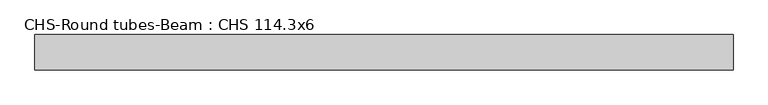
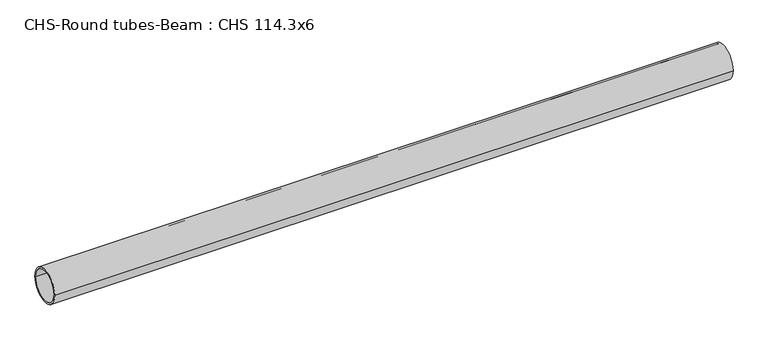
"""IFC4 building model written with IfcOpenShell, lengths in millimetres: beam geometry, CHS-Round tubes-Beam : CHS 114.3x6."""

from ifc_helpers import new_model, si_unit, point, frame, origin, origin_2d, place, context, project, spatial, circle_curve, trimmed, segment, composite_curve, outline, extrude, source, transform, mapped, element, save


def chs_round_tubes_beam_chs_114_3x6_dad74131(model_context):
    return source(origin(), model_context, "Body", "SweptSolid", [
        extrude(outline(composite_curve([segment(trimmed(circle_curve(origin_2d(), 57.15), [point((57.15, 0.0))], [point((-57.15, 0.0))], False, "CARTESIAN"), True, "CONTINUOUS"), segment(trimmed(circle_curve(origin_2d(), 57.15), [point((-57.15, 0.0))], [point((57.15, 0.0))], False, "CARTESIAN"), True, "CONTINUOUS")], self_intersect=False), holes=[composite_curve([segment(trimmed(circle_curve(origin_2d(), 51.15), [point((51.15, 0.0))], [point((-51.15, 0.0))], True, "CARTESIAN"), True, "CONTINUOUS"), segment(trimmed(circle_curve(origin_2d(), 51.15), [point((-51.15, 0.0))], [point((51.15, 0.0))], True, "CARTESIAN"), True, "CONTINUOUS")], self_intersect=False)]), frame((-1011.1556, 0.0, 0.0), z_axis=(1.0, 0.0, 0.0), x_axis=(0.0, 1.0, 0.0)), (0.0, 0.0, 1.0), 2263.8844409),
    ])


if __name__ == "__main__":
    model = new_model("IFC4")
    model_context = context("Model", 3, world=origin())
    ifc_project = project(units=[si_unit("LENGTHUNIT", "METRE", prefix="MILLI")], contexts=[model_context])
    site = spatial("IfcSite", under=ifc_project)
    building = spatial("IfcBuilding", under=site)
    placement = place(None, origin())
    chs_round_tubes_beam_chs_114_3x6_shape = chs_round_tubes_beam_chs_114_3x6_dad74131(model_context)
    element("IfcBeam", 1, ObjectType="CHS-Round tubes-Beam : CHS 114.3x6", at=placement, inside=building, context=model_context, shape_type="MappedRepresentation", body=[
        mapped(chs_round_tubes_beam_chs_114_3x6_shape, transform((0.0, 0.0, 0.0), x_axis=(1.0, 0.0, 0.0), y_axis=(0.0, 1.0, 0.0), z_axis=(0.0, 0.0, 1.0))),
    ])
    save(model, "model.ifc")
